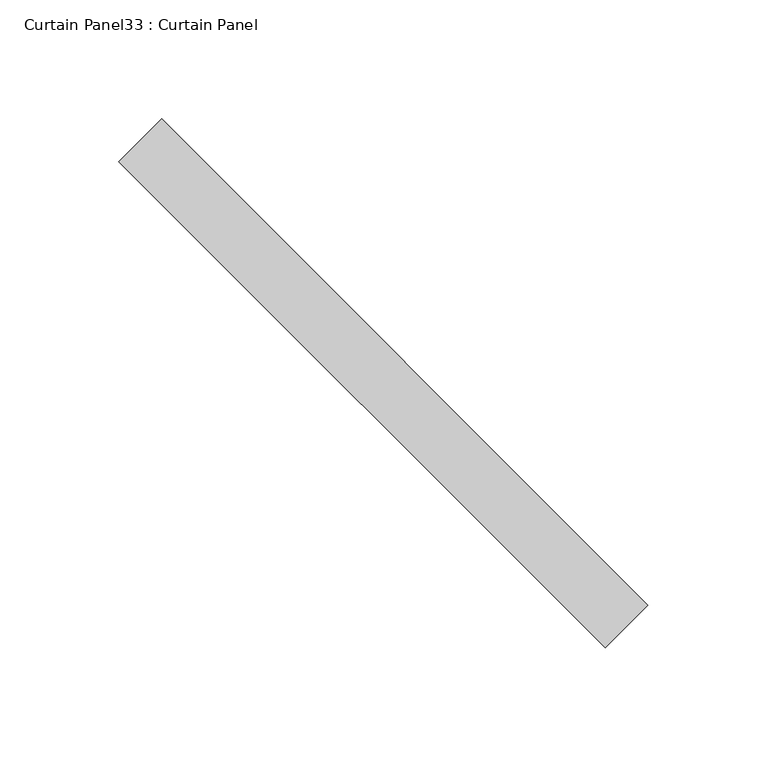
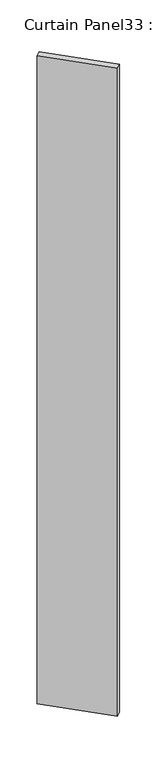
"""IFC4 building model written with IfcOpenShell, lengths in millimetres: plate geometry, Curtain Panel33 : Curtain Panel."""

from ifc_helpers import new_model, si_unit, frame, origin, place, context, project, spatial, polyline, outline, extrude, source, transform, mapped, element, save


def curtain_panel33_curtain_panel_b2d6283a(model_context):
    return source(origin(), model_context, "Body", "SweptSolid", [
        extrude(outline(polyline([(78283.7508007, 2815.2355659), (78488.0367256, 2610.9496411), (78470.0762133, 2592.9891288), (78265.7902885, 2797.2750537), (78283.7508007, 2815.2355659)])), frame((0.0, 0.0, -687.1377978), z_axis=(0.0, 0.0, 1.0), x_axis=(1.0, 0.0, 0.0)), (0.0, 0.0, 1.0), 2743.2),
    ])


if __name__ == "__main__":
    model = new_model("IFC4")
    model_context = context("Model", 3, world=origin())
    ifc_project = project(units=[si_unit("LENGTHUNIT", "METRE", prefix="MILLI")], contexts=[model_context])
    site = spatial("IfcSite", under=ifc_project)
    building = spatial("IfcBuilding", under=site)
    placement = place(None, origin())
    curtain_panel33_curtain_panel_shape = curtain_panel33_curtain_panel_b2d6283a(model_context)
    element("IfcPlate", 1, ObjectType="Curtain Panel33 : Curtain Panel", at=placement, inside=building, context=model_context, shape_type="MappedRepresentation", body=[
        mapped(curtain_panel33_curtain_panel_shape, transform((0.0, 0.0, 0.0), x_axis=(1.0, 0.0, 0.0), y_axis=(0.0, 1.0, 0.0), z_axis=(0.0, 0.0, 1.0))),
    ])
    save(model, "model.ifc")
